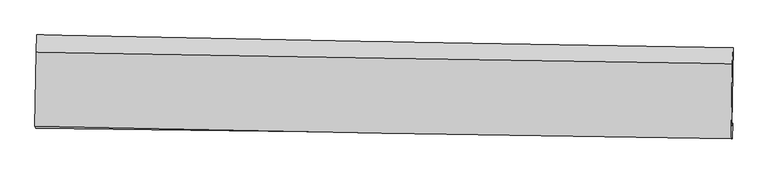
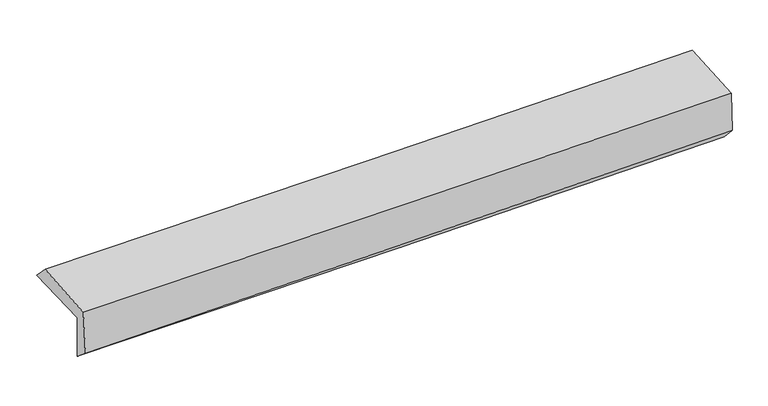
"""IFC4 building model written with IfcOpenShell, lengths in millimetres: proxy geometry."""

from ifc_helpers import new_model, si_unit, frame, origin, place, context, project, spatial, source, transform, mapped, element, save
from ifc_brep_helpers import plane_surface, spline_curve, spline_surface, advanced_brep


def generic_models_c6be9263(model_context):
    return source(origin(), model_context, "Body", "AdvancedBrep", [
        advanced_brep(
        [(-3030.5772951, -1767.1515031, 1963.5331962), (-3018.6620173, -1084.1855342, 1969.060526), (3018.4833495, -1195.4694179, 2118.5207207), (3006.7184727, -1869.8146239, 2113.0631598), (-3021.3996025, -1747.3548031, 1567.317279), (3016.3584183, -1849.0208233, 1696.8910309), (-3026.6684384, -1893.5653301, 1688.1119492), (3010.6235516, -1983.2519197, 1848.0765446), (-3035.1639199, -1875.144482, 2083.9436378), (3002.334293, -1985.716817, 2218.1316898), (-3024.6945068, -1235.3164009, 2120.2341689), (3013.1890297, -1332.300282, 2247.8788414)],
        [
            (0, 1),
            (1, 2, spline_curve(3, [(-3018.6620173, -1084.1855342, 1969.060526), (-2012.024243193, -1104.073808567, 1973.267679414), (-1005.614503383, -1123.291523856, 1987.826064004), (1006.767293632, -1160.386176273, 2037.645750592), (2012.739343184, -1178.263088799, 2072.907431026), (3018.4833495, -1195.4694179, 2118.5207207)], [4, 2, 4], [0.0, 9.9085988379552, 19.817378744504573])),
            (2, 3),
            (3, 0, spline_curve(3, [(3006.7184727, -1869.8146239, 2113.0631598), (2001.028722899, -1849.498378975, 2067.475039088), (995.071268224, -1830.78493288, 2032.220128806), (-1017.360664117, -1796.563950992, 1982.377185202), (-2023.835131923, -1781.056356771, 1967.788774258), (-3030.5772951, -1767.1515031, 1963.5331962)], [4, 2, 4], [0.0, 9.908779906549373, 19.817378744504573])),
            (4, 0),
            (3, 5),
            (5, 4, spline_curve(3, [(3016.3584183, -1849.0208233, 1696.8910309), (2010.279924161, -1829.543118034, 1668.085644027), (1004.089576967, -1811.332030937, 1642.885071948), (-1008.496434053, -1777.443403898, 1599.693953083), (-2014.892094001, -1761.765817403, 1581.703274188), (-3021.3996025, -1747.3548031, 1567.317279)], [4, 2, 4], [0.0, 9.908479695184047, 19.816778327259847])),
            (6, 4),
            (5, 7),
            (7, 6, spline_curve(3, [(3010.6235516, -1983.2519197, 1848.0765446), (2004.64872335, -1964.179003677, 1814.298632871), (998.549045308, -1947.16861392, 1784.079204463), (-1013.881622413, -1917.273159431, 1730.757802927), (-2020.212607786, -1904.388019578, 1707.655699186), (-3026.6684384, -1893.5653301, 1688.1119492)], [4, 2, 4], [0.0, 9.908346837127413, 19.816512613574368])),
            (8, 6),
            (7, 9),
            (9, 8, spline_curve(3, [(3002.334293, -1985.716817, 2218.1316898), (1996.01966629, -1970.236217393, 2196.761539542), (989.732904976, -1953.281458864, 2174.894020119), (-1022.766498453, -1916.423959698, 2130.164651167), (-2028.979141502, -1896.521273519, 2107.302820151), (-3035.1639199, -1875.144482, 2083.9436378)], [4, 2, 4], [0.0, 9.908267762325815, 19.81635446541615])),
            (10, 8),
            (9, 11),
            (11, 10, spline_curve(3, [(3013.1890297, -1332.300282, 2247.8788414), (2006.871653002, -1318.586368251, 2225.234562202), (1000.551405801, -1303.647336241, 2203.275275402), (-1012.076439504, -1271.319331336, 2160.727076555), (-2018.384038297, -1253.930402695, 2140.138138684), (-3024.6945068, -1235.3164009, 2120.2341689)], [4, 2, 4], [0.0, 9.908238577588802, 19.816296096475433])),
            (1, 10),
            (11, 2),
        ],
        [
            spline_surface(3, 3, [[(-3030.5772951, -1767.1515031, 1963.5331962), (-2023.835131983, -1781.056356921, 1967.788774202), (-1017.360664141, -1796.563951082, 1982.377185229), (995.071268248, -1830.784932791, 2032.220128779), (2001.028722996, -1849.498378857, 2067.47503896), (3006.7184727, -1869.8146239, 2113.0631598)], [(-3026.605535842, -1539.496180141, 1965.375639479), (-2019.89816905, -1555.395507425, 1969.615075955), (-1013.445277259, -1572.139808688, 1984.193478155), (998.969943421, -1607.318680634, 2034.028669379), (2004.932262995, -1625.753282141, 2069.285836284), (3010.640098281, -1645.032888568, 2114.882346771)], [(-3022.633776558, -1311.840857159, 1967.218082721), (-2015.96120609, -1329.734657904, 1971.441377672), (-1009.529890389, -1347.715666248, 1986.009771086), (1002.868618582, -1383.852428431, 2035.837209983), (2008.83580305, -1402.008185419, 2071.096633595), (3014.561723919, -1420.251153232, 2116.701533729)], [(-3018.6620173, -1084.1855342, 1969.060526), (-2012.024243156, -1104.073808408, 1973.267679425), (-1005.614503507, -1123.291523854, 1987.826064012), (1006.767293756, -1160.386176275, 2037.645750583), (2012.739343049, -1178.263088703, 2072.907430919), (3018.4833495, -1195.4694179, 2118.5207207)]], [4, 4], [4, 2, 4], [0.0, 2.2045925246855114], [0.0, 9.9085988379552, 19.817378744504573]),
            spline_surface(3, 3, [[(-3021.3996025, -1747.3548031, 1567.317279), (-2014.892093905, -1761.765817385, 1581.703274335), (-1008.496434048, -1777.443403857, 1599.693953079), (1004.089576962, -1811.332030979, 1642.885071952), (2010.279924061, -1829.543117881, 1668.085643873), (3016.3584183, -1849.0208233, 1696.8910309)], [(-3024.458833373, -1753.953703091, 1699.38925138), (-2017.873106604, -1768.195997221, 1710.398440937), (-1011.451177427, -1783.816919578, 1727.255030451), (1001.083474042, -1817.816331562, 1772.663424216), (2007.196190383, -1836.194871537, 1801.215442228), (3013.14510311, -1855.952090164, 1835.615073859)], [(-3027.518064227, -1760.552603109, 1831.46122382), (-2020.854119284, -1774.626177085, 1839.0936076), (-1014.405920761, -1790.19043536, 1854.816107857), (998.077371168, -1824.300632207, 1902.441776515), (2004.112456674, -1842.846625201, 1934.345240606), (3009.93178789, -1862.883357036, 1974.339116841)], [(-3030.5772951, -1767.1515031, 1963.5331962), (-2023.835131983, -1781.056356921, 1967.788774202), (-1017.360664141, -1796.563951082, 1982.377185229), (995.071268248, -1830.784932791, 2032.220128779), (2001.028722996, -1849.498378857, 2067.47503896), (3006.7184727, -1869.8146239, 2113.0631598)]], [4, 4], [4, 2, 4], [0.0, 1.268353484580805], [0.0, 9.9082986320758, 19.816778327259847]),
            spline_surface(3, 3, [[(-3026.6684384, -1893.5653301, 1688.1119492), (-2020.21260791, -1904.388019434, 1707.655699175), (-1013.881622509, -1917.273159427, 1730.757802825), (998.549045404, -1947.168613924, 1784.079204565), (2004.648723303, -1964.179003779, 1814.298632732), (3010.6235516, -1983.2519197, 1848.0765446)], [(-3024.912159745, -1844.828487762, 1647.847059139), (-2018.43910322, -1856.847285413, 1665.671557567), (-1012.086559661, -1870.66324091, 1687.069852918), (1000.395889284, -1901.889752949, 1737.014493702), (2006.525790216, -1919.300375147, 1765.560969777), (3012.535173827, -1938.5082209, 1797.681373364)], [(-3023.155881155, -1796.091645438, 1607.582169061), (-2016.665598595, -1809.306551405, 1623.687415943), (-1010.291496895, -1824.053322374, 1643.381902986), (1002.242733082, -1856.610891954, 1689.949782815), (2008.402857148, -1874.421746514, 1716.823306829), (3014.446796073, -1893.7645221, 1747.286202136)], [(-3021.3996025, -1747.3548031, 1567.317279), (-2014.892093905, -1761.765817385, 1581.703274335), (-1008.496434048, -1777.443403857, 1599.693953079), (1004.089576962, -1811.332030979, 1642.885071952), (2010.279924061, -1829.543117881, 1668.085643873), (3016.3584183, -1849.0208233, 1696.8910309)]], [4, 4], [4, 2, 4], [0.0, 0.6358310273642281], [0.0, 9.908165776446955, 19.816512613574368]),
            spline_surface(3, 3, [[(-3035.1639199, -1875.144482, 2083.9436378), (-2028.979141437, -1896.521273517, 2107.30282004), (-1022.766498381, -1916.423959843, 2130.164651213), (989.732904904, -1953.281458719, 2174.894020073), (1996.019666142, -1970.236217393, 2196.761539533), (3002.334293, -1985.716817, 2218.1316898)], [(-3032.332092752, -1881.284764706, 1951.999741613), (-2026.056963613, -1899.143522162, 1974.087113097), (-1019.804873114, -1916.707026394, 1997.029035091), (992.67161838, -1951.24384381, 2044.622414912), (1998.896018525, -1968.217146204, 2069.27390392), (3005.097379196, -1984.895184582, 2094.779974721)], [(-3029.500265548, -1887.425047394, 1820.055845387), (-2023.134785734, -1901.765770788, 1840.871406118), (-1016.843247775, -1916.990092876, 1863.893418946), (995.610331928, -1949.206228832, 1914.350809727), (2001.77237092, -1966.198074968, 1941.786268345), (3007.860465404, -1984.073552118, 1971.428259679)], [(-3026.6684384, -1893.5653301, 1688.1119492), (-2020.21260791, -1904.388019434, 1707.655699175), (-1013.881622509, -1917.273159427, 1730.757802825), (998.549045404, -1947.168613924, 1784.079204565), (2004.648723303, -1964.179003779, 1814.298632732), (3010.6235516, -1983.2519197, 1848.0765446)]], [4, 4], [4, 2, 4], [0.0, 1.2966490497026344], [0.0, 9.908086703090335, 19.81635446541615]),
            spline_surface(3, 3, [[(-3024.6945068, -1235.3164009, 2120.2341689), (-2018.384038153, -1253.930402792, 2140.138138814), (-1012.076439649, -1271.319331218, 2160.727076422), (1000.551405946, -1303.647336358, 2203.275275535), (2006.871652961, -1318.586368301, 2225.234562132), (3013.1890297, -1332.300282, 2247.8788414)], [(-3028.184311163, -1448.59242793, 2108.137325191), (-2021.915739244, -1468.127359697, 2129.193032547), (-1015.639792532, -1486.354207423, 2150.53960136), (996.945238959, -1520.192043808, 2193.814857056), (2003.254324038, -1535.802984662, 2215.743554625), (3009.570784149, -1550.105793664, 2237.963124227)], [(-3031.674115537, -1661.86845497, 2096.040481509), (-2025.447440346, -1682.324316612, 2118.247926307), (-1019.203145498, -1701.389083638, 2140.352126274), (993.33907189, -1736.736751269, 2184.354438552), (1999.636995066, -1753.019601031, 2206.252547039), (3005.952538551, -1767.911305336, 2228.047406973)], [(-3035.1639199, -1875.144482, 2083.9436378), (-2028.979141437, -1896.521273517, 2107.30282004), (-1022.766498381, -1916.423959843, 2130.164651213), (989.732904904, -1953.281458719, 2174.894020073), (1996.019666142, -1970.236217393, 2196.761539533), (3002.334293, -1985.716817, 2218.1316898)]], [4, 4], [4, 2, 4], [0.0, 2.126407996667094], [0.0, 9.90805751888663, 19.816296096475433]),
            spline_surface(3, 3, [[(-3018.6620173, -1084.1855342, 1969.060526), (-2012.024243156, -1104.073808408, 1973.267679425), (-1005.614503507, -1123.291523854, 1987.826064012), (1006.767293756, -1160.386176275, 2037.645750583), (2012.739343049, -1178.263088703, 2072.907430919), (3018.4833495, -1195.4694179, 2118.5207207)], [(-3020.672847125, -1134.562489769, 2019.451740299), (-2014.144174814, -1154.026006538, 2028.891165887), (-1007.76848224, -1172.634126288, 2045.459734804), (1004.695331133, -1208.139896281, 2092.855592223), (2010.783446357, -1225.037515224, 2123.683141315), (3016.718576237, -1241.079705922, 2161.640094259)], [(-3022.683676975, -1184.939445331, 2069.842954601), (-2016.264106496, -1203.978204662, 2084.514652352), (-1009.922460916, -1221.976728785, 2103.09340563), (1002.623368568, -1255.893616351, 2148.065433896), (2008.827549654, -1271.81194178, 2174.458851735), (3014.953802963, -1286.689993978, 2204.759467841)], [(-3024.6945068, -1235.3164009, 2120.2341689), (-2018.384038153, -1253.930402792, 2140.138138814), (-1012.076439649, -1271.319331218, 2160.727076422), (1000.551405946, -1303.647336358, 2203.275275535), (2006.871652961, -1318.586368301, 2225.234562132), (3013.1890297, -1332.300282, 2247.8788414)]], [4, 4], [4, 2, 4], [0.0, 0.7329075679469953], [0.0, 9.90820164543944, 19.816584352214804]),
            plane_surface(frame((3011.2845191, -1702.5956473, 2040.4269979), z_axis=(0.9995966354548499, -0.017619597485380167, 0.02227366543245865), x_axis=(0.02239394888236626, 0.00665907360957859, -0.9997270466442909))),
            plane_surface(frame((-3026.1942967, -1600.4530089, 1898.7001262), z_axis=(-0.9995966354548513, 0.017619597485117627, -0.022273665432604867), x_axis=(-0.01744314555579539, -0.9998151140072621, -0.008091629981960948))),
        ],
        [
            (0, [[1, 2, 3, 4]]),
            (1, [[5, -4, 6, 7]]),
            (2, [[8, -7, 9, 10]]),
            (3, [[11, -10, 12, 13]]),
            (4, [[14, -13, 15, 16]]),
            (5, [[17, -16, 18, -2]]),
            (6, [[-12, -9, -6, -3, -18, -15]]),
            (7, [[-1, -5, -8, -11, -14, -17]]),
        ],
    ),
    ])


if __name__ == "__main__":
    model = new_model("IFC4")
    model_context = context("Model", 3, world=origin())
    ifc_project = project(units=[si_unit("LENGTHUNIT", "METRE", prefix="MILLI")], contexts=[model_context])
    site = spatial("IfcSite", under=ifc_project)
    building = spatial("IfcBuilding", under=site)
    placement = place(None, origin())
    generic_models_shape = generic_models_c6be9263(model_context)
    element("IfcBuildingElementProxy", 1, Name="Generic Models", at=placement, inside=building, context=model_context, shape_type="MappedRepresentation", body=[
        mapped(generic_models_shape, transform((0.0, 0.0, 0.0), x_axis=(1.0, 0.0, 0.0), y_axis=(0.0, 1.0, 0.0), z_axis=(0.0, 0.0, 1.0))),
    ])
    save(model, "model.ifc")
